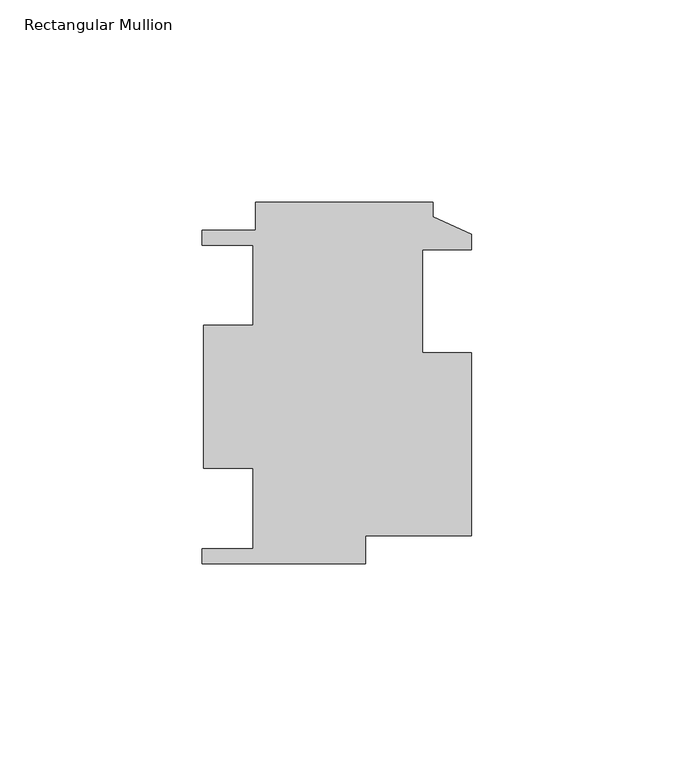
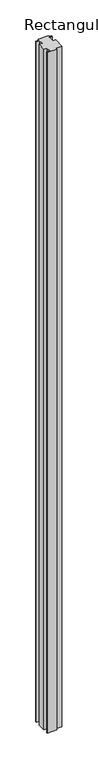
"""IFC4 building model written with IfcOpenShell, lengths in millimetres: member geometry, Rectangular Mullion."""

from ifc_helpers import new_model, si_unit, frame, origin, place, context, project, spatial, polyline, outline, extrude, source, transform, mapped, element, save


def rectangular_mullion_0a170820(model_context):
    return source(origin(), model_context, "Body", "SweptSolid", [
        extrude(outline(polyline([(-26.289, -44.7294), (-66.7512, -44.7294), (-66.7512, -40.9956), (-54.0512, -40.9956), (-54.0512, -21.1582), (-66.4055073, -21.1582), (-66.4055073, 14.2494), (-54.0512, 14.2494), (-54.0512, 34.0868), (-66.7512, 34.0868), (-66.7512, 37.8206), (-53.4924, 37.8206), (-53.4924, 44.7294), (-9.525, 44.7294), (-9.525, 41.1226), (0.0, 36.8046), (0.0, 32.893), (-12.2174, 32.893), (-12.2174, 7.493), (0.0, 7.493), (0.0, -37.8206), (-26.289, -37.8206), (-26.289, -44.7294)])), frame((0.0, 0.0, -3048.0), z_axis=(0.0, 0.0, 1.0), x_axis=(1.0, 0.0, 0.0)), (0.0, 0.0, 1.0), 3048.0),
    ])


if __name__ == "__main__":
    model = new_model("IFC4")
    model_context = context("Model", 3, world=origin())
    ifc_project = project(units=[si_unit("LENGTHUNIT", "METRE", prefix="MILLI")], contexts=[model_context])
    site = spatial("IfcSite", under=ifc_project)
    building = spatial("IfcBuilding", under=site)
    placement = place(None, origin())
    rectangular_mullion_shape = rectangular_mullion_0a170820(model_context)
    element("IfcMember", 1, ObjectType="Rectangular Mullion", at=placement, inside=building, context=model_context, shape_type="MappedRepresentation", body=[
        mapped(rectangular_mullion_shape, transform((0.0, 0.0, 0.0), x_axis=(1.0, 0.0, 0.0), y_axis=(0.0, 1.0, 0.0), z_axis=(0.0, 0.0, 1.0))),
    ])
    save(model, "model.ifc")
